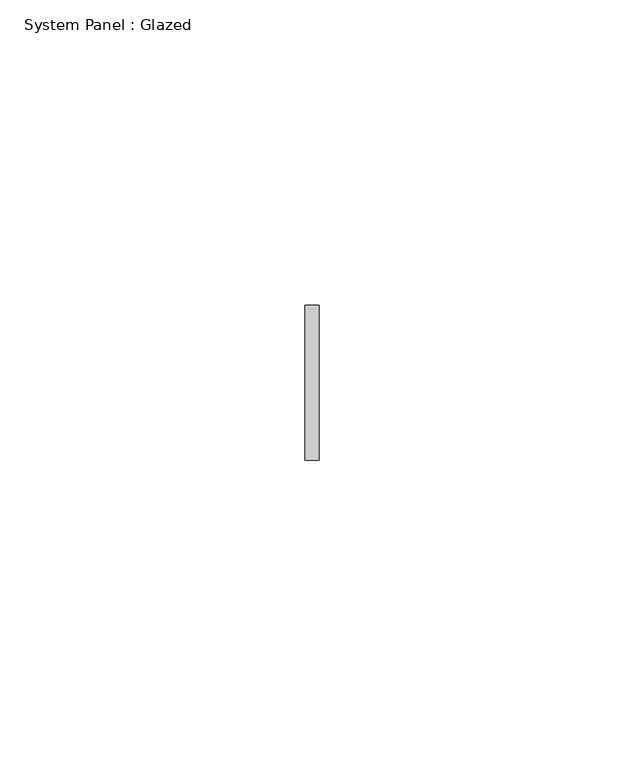
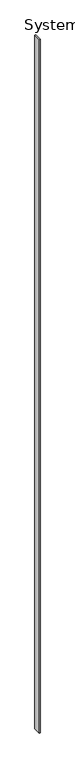
"""IFC4 building model written with IfcOpenShell, lengths in millimetres: plate geometry, System Panel : Glazed."""

from ifc_helpers import new_model, si_unit, origin, origin_with_axes, place, context, project, spatial, polyline, outline, extrude, source, transform, mapped, element, save


def system_panel_glazed_ab51df59(model_context):
    return source(origin(), model_context, "Body", "SweptSolid", [
        extrude(outline(polyline([(1.1528174, 19.05), (-1.1528174, 19.05), (-1.1528174, 44.45), (1.1528174, 44.45), (1.1528174, 19.05)])), origin_with_axes(), (0.0, 0.0, 1.0), 2409.9444043),
    ])


if __name__ == "__main__":
    model = new_model("IFC4")
    model_context = context("Model", 3, world=origin())
    ifc_project = project(units=[si_unit("LENGTHUNIT", "METRE", prefix="MILLI")], contexts=[model_context])
    site = spatial("IfcSite", under=ifc_project)
    building = spatial("IfcBuilding", under=site)
    placement = place(None, origin())
    system_panel_glazed_shape = system_panel_glazed_ab51df59(model_context)
    element("IfcPlate", 1, ObjectType="System Panel : Glazed", at=placement, inside=building, context=model_context, shape_type="MappedRepresentation", body=[
        mapped(system_panel_glazed_shape, transform((0.0, 0.0, 0.0), x_axis=(1.0, 0.0, 0.0), y_axis=(0.0, 1.0, 0.0), z_axis=(0.0, 0.0, 1.0))),
    ])
    save(model, "model.ifc")
